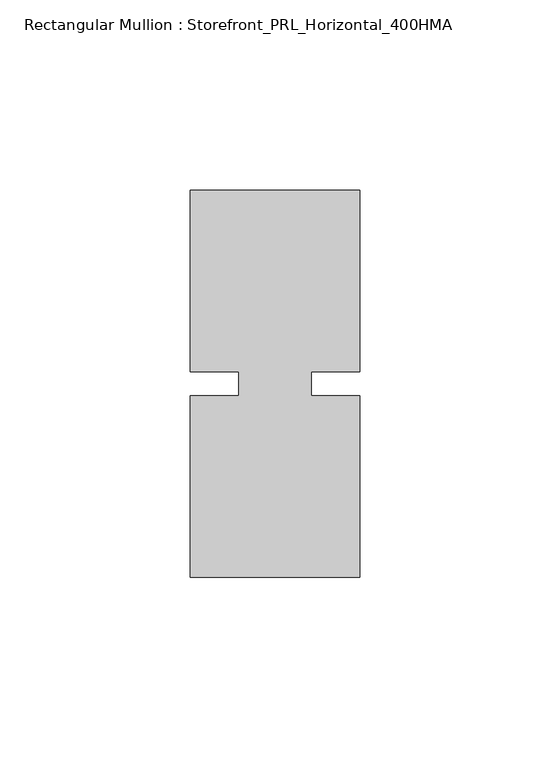
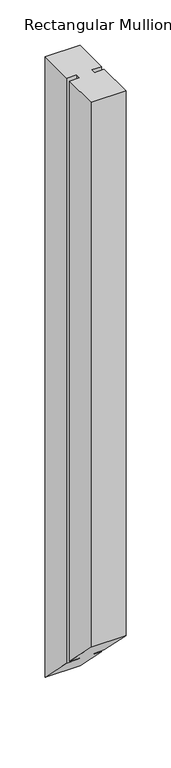
"""IFC4 building model written with IfcOpenShell, lengths in millimetres: member geometry, Rectangular Mullion : Storefront_PRL_Horizontal_400HMA."""

from ifc_helpers import new_model, si_unit, origin, place, context, project, spatial, faceted_brep, source, transform, mapped, element, save


def rectangular_mullion_storefront_prl_horizontal_400hma_7ab3920c(model_context):
    return source(origin(), model_context, "Body", "Brep", [
        faceted_brep([(-9.525, -3.175, 0.0), (-22.225, -3.175, 0.0), (-22.225, -50.8, 0.0), (22.225, -50.8, 0.0), (22.225, -3.175, 0.0), (9.525, -3.175, 0.0), (9.525, 3.175, 0.0), (22.225, 3.175, 0.0), (22.225, 50.8, 0.0), (-22.225, 50.8, 0.0), (-22.225, 3.175, 0.0), (-9.525, 3.175, 0.0), (-9.525, -3.175, -783.1666667), (-22.225, -3.175, -783.1666667), (-22.225, -50.8, -735.5416667), (22.225, -50.8, -735.5416667), (22.225, -3.175, -783.1666667), (9.525, -3.175, -783.1666667), (9.525, 3.175, -789.5166667), (22.225, 3.175, -789.5166667), (22.225, 50.8, -837.1416667), (-22.225, 50.8, -837.1416667), (-22.225, 3.175, -789.5166667), (-9.525, 3.175, -789.5166667)], [[[0, 1, 2, 3, 4, 5, 6, 7, 8, 9, 10, 11]], [[1, 0, 12, 13]], [[2, 1, 13, 14]], [[3, 2, 14, 15]], [[4, 3, 15, 16]], [[5, 4, 16, 17]], [[6, 5, 17, 18]], [[7, 6, 18, 19]], [[8, 7, 19, 20]], [[9, 8, 20, 21]], [[10, 9, 21, 22]], [[11, 10, 22, 23]], [[0, 11, 23, 12]], [[12, 23, 22, 21, 20, 19, 18, 17, 16, 15, 14, 13]]]),
    ])


if __name__ == "__main__":
    model = new_model("IFC4")
    model_context = context("Model", 3, world=origin())
    ifc_project = project(units=[si_unit("LENGTHUNIT", "METRE", prefix="MILLI")], contexts=[model_context])
    site = spatial("IfcSite", under=ifc_project)
    building = spatial("IfcBuilding", under=site)
    placement = place(None, origin())
    rectangular_mullion_storefront_prl_horizontal_400hma_shape = rectangular_mullion_storefront_prl_horizontal_400hma_7ab3920c(model_context)
    element("IfcMember", 1, ObjectType="Rectangular Mullion : Storefront_PRL_Horizontal_400HMA", at=placement, inside=building, context=model_context, shape_type="MappedRepresentation", body=[
        mapped(rectangular_mullion_storefront_prl_horizontal_400hma_shape, transform((0.0, 0.0, 0.0), x_axis=(1.0, 0.0, 0.0), y_axis=(0.0, 1.0, 0.0), z_axis=(0.0, 0.0, 1.0))),
    ])
    save(model, "model.ifc")
